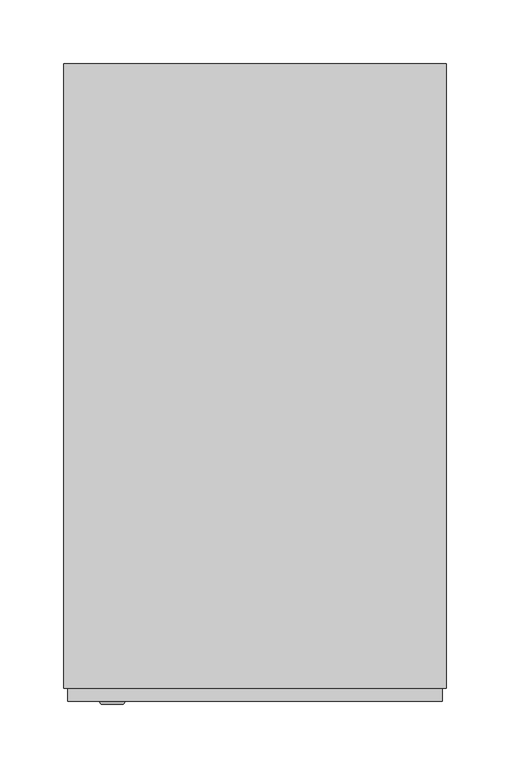
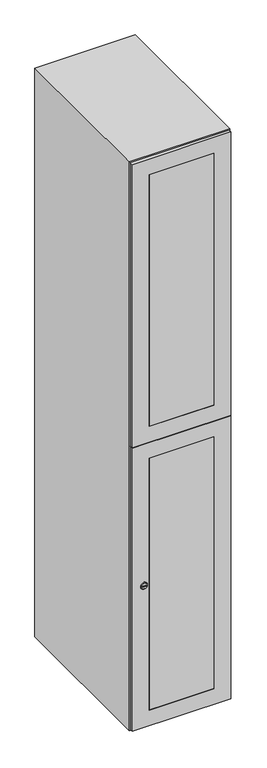
"""IFC4 building model written with IfcOpenShell, lengths in millimetres: furniture geometry."""

from ifc_helpers import new_model, si_unit, point, frame, frame_2d, origin, place, context, project, spatial, polyline, circle_curve, trimmed, segment, composite_curve, outline, extrude, faceted_brep, source, transform, mapped, element, save
from ifc_brep_helpers import plane_surface, revolved_surface, advanced_brep


def furniture_b9602b34(model_context):
    return source(origin(), model_context, "Body", "SolidModel", [
        extrude(outline(composite_curve([segment(trimmed(circle_curve(frame_2d((551.5, -188.7989466)), 7.0), [point((558.5, -188.7989466))], [point((544.5, -188.7989466))], False, "CARTESIAN"), True, "CONTINUOUS"), segment(polyline([(544.5, -188.7989466), (544.5, -160.7989466)]), True, "CONTINUOUS"), segment(trimmed(circle_curve(frame_2d((551.5, -160.7989466)), 7.0), [point((544.5, -160.7989466))], [point((558.5, -160.7989466))], False, "CARTESIAN"), True, "CONTINUOUS"), segment(polyline([(558.5, -160.7989466), (558.5, -188.7989466)]), True, "CONTINUOUS")], self_intersect=False)), frame((0.0, -245.0, 0.0), z_axis=(0.0, 1.0, 0.0), x_axis=(0.0, 0.0, 1.0)), (0.0, 0.0, 1.0), 2.0),
        advanced_brep(
        [(-153.5, -257.2, 551.5), (-170.5, -257.2, 551.5), (-167.0, -257.2, 550.25), (-167.0, -257.2, 552.75), (-157.0, -257.2, 552.75), (-157.0, -257.2, 550.25), (-151.5, -255.0, 551.5), (-172.5, -255.0, 551.5), (-167.0, -255.0, 552.75), (-167.0, -255.0, 550.25), (-157.0, -255.0, 550.25), (-157.0, -255.0, 552.75)],
        [
            (0, 1, circle_curve(frame((-162.0, -257.2, 551.5), z_axis=(0.0, -1.0, 0.0), x_axis=(1.0, 0.0, 0.0)), 8.5)),
            (1, 0, circle_curve(frame((-162.0, -257.2, 551.5), z_axis=(0.0, -1.0, 0.0), x_axis=(-1.0, 0.0, 0.0)), 8.5)),
            (2, 3),
            (3, 4),
            (4, 5),
            (5, 2),
            (6, 7, circle_curve(frame((-162.0, -255.0, 551.5), z_axis=(0.0, 1.0, 0.0), x_axis=(-1.0, 0.0, 0.0)), 10.5)),
            (7, 6, circle_curve(frame((-162.0, -255.0, 551.5), z_axis=(0.0, 1.0, 0.0), x_axis=(1.0, 0.0, 0.0)), 10.5)),
            (8, 9),
            (9, 10),
            (10, 11),
            (11, 8),
            (0, 6),
            (7, 1),
            (8, 3),
            (2, 9),
            (11, 4),
            (10, 5),
        ],
        [
            plane_surface(frame((-162.0, -257.2, 551.5), z_axis=(0.0, -1.0, 0.0), x_axis=(0.0, 0.0, 1.0))),
            plane_surface(frame((-162.0, -255.0, 551.5), z_axis=(0.0, 1.0, 0.0), x_axis=(0.0, 0.0, 1.0))),
            revolved_surface(polyline([(-153.5, -257.2, 551.5), (-151.5, -255.0, 551.5)]), (-162.0, -266.55, 551.5), (0.0, 1.0, 0.0)),
            revolved_surface(polyline([(-170.5, -257.2, 551.5), (-172.5, -255.0, 551.5)]), (-162.0, -266.55, 551.5), (0.0, 1.0, 0.0)),
            plane_surface(frame((-167.0, -255.0, 550.25), z_axis=(1.0, 0.0, 0.0), x_axis=(0.0, -1.0, 0.0))),
            plane_surface(frame((-167.0, -255.0, 552.75), z_axis=(0.0, 0.0, -1.0), x_axis=(0.0, -1.0, 0.0))),
            plane_surface(frame((-157.0, -255.0, 552.75), z_axis=(-1.0, 0.0, 0.0), x_axis=(0.0, -1.0, 0.0))),
            plane_surface(frame((-157.0, -255.0, 550.25), z_axis=(0.0, 0.0, 1.0), x_axis=(0.0, -1.0, 0.0))),
        ],
        [
            (0, [[1, 2], [3, 4, 5, 6]]),
            (1, [[7, 8], [9, 10, 11, 12]]),
            (2, [[-1, 13, -8, 14]]),
            (3, [[-2, -14, -7, -13]]),
            (4, [[15, -3, 16, -9]]),
            (5, [[-15, -12, 17, -4]]),
            (6, [[-17, -11, 18, -5]]),
            (7, [[-16, -6, -18, -10]]),
        ],
    ),
        extrude(outline(polyline([(1000.5, 97.0), (1897.0, 97.0), (1897.0, -197.0), (1000.5, -197.0), (1000.5, 97.0)]), holes=[polyline([(1847.0, -147.0), (1847.0, 47.0), (1050.5, 47.0), (1050.5, -147.0), (1847.0, -147.0)])]), frame((0.0, -255.0, 0.0), z_axis=(0.0, 1.0, 0.0), x_axis=(0.0, 0.0, 1.0)), (0.0, 0.0, 1.0), 10.0),
        extrude(outline(polyline([(999.5, -197.0), (103.0, -197.0), (103.0, 97.0), (999.5, 97.0), (999.5, -197.0)]), holes=[polyline([(153.0, -147.0), (949.5, -147.0), (949.5, 47.0), (153.0, 47.0), (153.0, -147.0)])]), frame((0.0, -255.0, 0.0), z_axis=(0.0, 1.0, 0.0), x_axis=(0.0, 0.0, 1.0)), (0.0, 0.0, 1.0), 10.0),
        extrude(outline(polyline([(47.0, -255.0), (-147.0, -255.0), (-147.0, -245.0), (47.0, -245.0), (47.0, -255.0)])), frame((0.0, 0.0, 1050.5), z_axis=(0.0, 0.0, 1.0), x_axis=(1.0, 0.0, 0.0)), (0.0, 0.0, 1.0), 796.5),
        extrude(outline(polyline([(47.0, -255.0), (-147.0, -255.0), (-147.0, -245.0), (47.0, -245.0), (47.0, -255.0)])), frame((0.0, 0.0, 153.0), z_axis=(0.0, 0.0, 1.0), x_axis=(1.0, 0.0, 0.0)), (0.0, 0.0, 1.0), 796.5),
        extrude(outline(polyline([(90.0, 241.0), (90.0, -235.0), (-190.0, -235.0), (-190.0, 241.0), (90.0, 241.0)])), frame((0.0, 0.0, 995.0), z_axis=(0.0, 0.0, 1.0), x_axis=(1.0, 0.0, 0.0)), (0.0, 0.0, 1.0), 10.0),
        faceted_brep([(100.0, -245.0, 100.0), (100.0, -245.0, 1900.0), (-200.0, -245.0, 1900.0), (-200.0, -245.0, 100.0), (90.0, -245.0, 1890.0), (90.0, -245.0, 110.0), (-190.0, -245.0, 110.0), (-190.0, -245.0, 1890.0), (100.0, 245.0, 100.0), (-200.0, 245.0, 100.0), (100.0, 245.0, 1900.0), (-200.0, 245.0, 1900.0), (90.0, 241.0, 1890.0), (90.0, 241.0, 110.0), (-200.0, 245.0, 1890.0), (-190.0, 241.0, 1890.0), (-190.0, 241.0, 110.0)], [[[0, 1, 2, 3], [4, 5, 6, 7]], [[8, 0, 3, 9]], [[1, 0, 8, 10]], [[1, 10, 11, 2]], [[4, 12, 13, 5]], [[9, 3, 2, 11, 14]], [[10, 8, 9, 14, 11]], [[12, 15, 16, 13]], [[15, 7, 6, 16]], [[4, 7, 15, 12]], [[6, 5, 13, 16]]]),
    ])


if __name__ == "__main__":
    model = new_model("IFC4")
    model_context = context("Model", 3, world=origin())
    ifc_project = project(units=[si_unit("LENGTHUNIT", "METRE", prefix="MILLI")], contexts=[model_context])
    site = spatial("IfcSite", under=ifc_project)
    building = spatial("IfcBuilding", under=site)
    placement = place(None, origin())
    furniture_shape = furniture_b9602b34(model_context)
    element("IfcFurniture", 1, at=placement, inside=building, context=model_context, shape_type="MappedRepresentation", body=[
        mapped(furniture_shape, transform((0.0, 0.0, 0.0), x_axis=(1.0, 0.0, 0.0), y_axis=(0.0, 1.0, 0.0), z_axis=(0.0, 0.0, 1.0))),
    ])
    save(model, "model.ifc")
